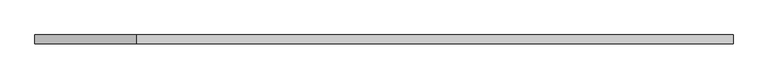
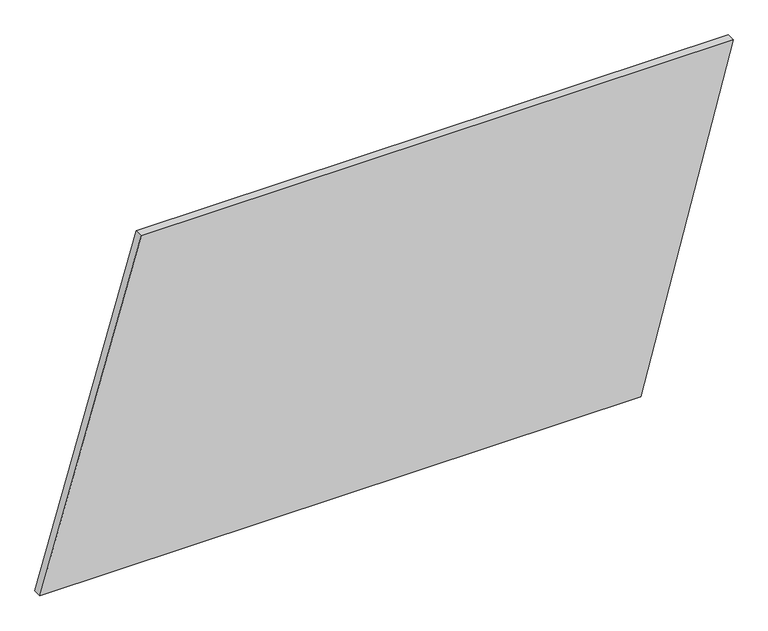
"""IFC4 building model written with IfcOpenShell, lengths in millimetres: plate geometry."""

from ifc_helpers import new_model, si_unit, frame, origin, place, context, project, spatial, polyline, outline, extrude, source, transform, mapped, element, save


def plate_714653c8(model_context):
    return source(origin(), model_context, "Body", "SweptSolid", [
        extrude(outline(polyline([(0.0, -1004.3616218), (0.0, 736.4124294), (1000.0, 1004.3616218), (1000.0, -711.1161732), (0.0, -1004.3616218)])), frame((0.0, 24.5, 0.0), z_axis=(0.0, 1.0, 0.0), x_axis=(0.0, 0.0, 1.0)), (0.0, 0.0, 1.0), 25.0),
    ])


if __name__ == "__main__":
    model = new_model("IFC4")
    model_context = context("Model", 3, world=origin())
    ifc_project = project(units=[si_unit("LENGTHUNIT", "METRE", prefix="MILLI")], contexts=[model_context])
    site = spatial("IfcSite", under=ifc_project)
    building = spatial("IfcBuilding", under=site)
    placement = place(None, origin())
    plate_shape = plate_714653c8(model_context)
    element("IfcPlate", 1, at=placement, inside=building, context=model_context, shape_type="MappedRepresentation", body=[
        mapped(plate_shape, transform((0.0, 0.0, 0.0), x_axis=(1.0, 0.0, 0.0), y_axis=(0.0, 1.0, 0.0), z_axis=(0.0, 0.0, 1.0))),
    ])
    save(model, "model.ifc")
